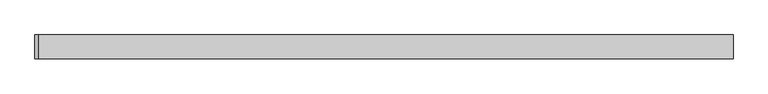
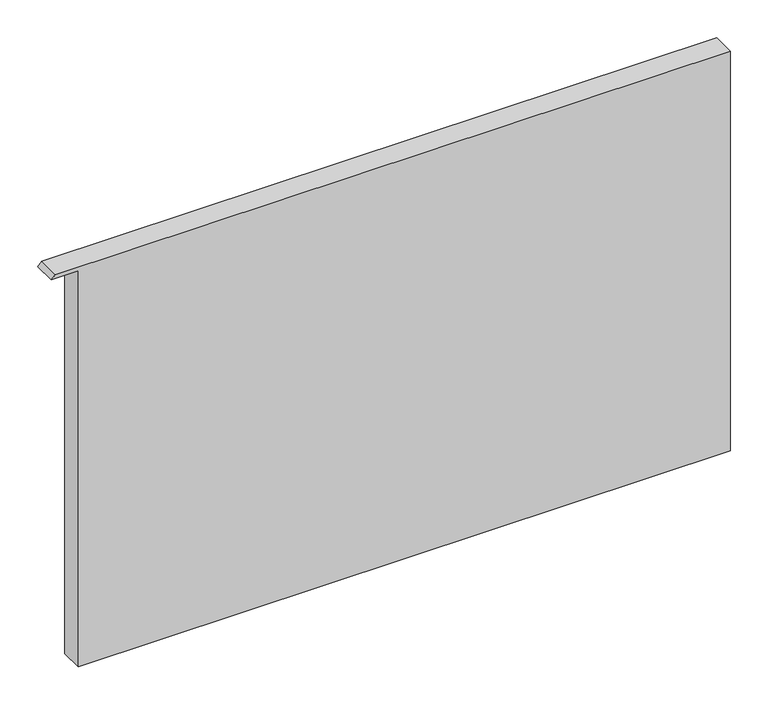
"""IFC4 building model written with IfcOpenShell, lengths in millimetres: plate geometry."""

from ifc_helpers import new_model, si_unit, point, frame, frame_2d, origin, place, context, project, spatial, polyline, circle_curve, trimmed, segment, composite_curve, outline, extrude, source, transform, mapped, element, save


def plate_44b318c6(model_context):
    return source(origin(), model_context, "Body", "SweptSolid", [
        extrude(outline(composite_curve([segment(polyline([(0.0, -475.71875), (0.0, 516.90625), (643.5659171, 516.90625), (643.5659171, -510.985191)]), True, "CONTINUOUS"), segment(trimmed(circle_curve(frame_2d((-766.620254, 1023.09375)), 2083.7522009), [point((643.5659171, -510.985191))], [point((637.0973937, -516.90625))], False, "CARTESIAN"), True, "CONTINUOUS"), segment(polyline([(637.0973937, -516.90625), (637.0973937, -475.71875), (0.0, -475.71875)]), True, "CONTINUOUS")], self_intersect=False)), frame((0.0, -17.5, 0.0), z_axis=(0.0, 1.0, 0.0), x_axis=(0.0, 0.0, 1.0)), (0.0, 0.0, 1.0), 35.0),
    ])


if __name__ == "__main__":
    model = new_model("IFC4")
    model_context = context("Model", 3, world=origin())
    ifc_project = project(units=[si_unit("LENGTHUNIT", "METRE", prefix="MILLI")], contexts=[model_context])
    site = spatial("IfcSite", under=ifc_project)
    building = spatial("IfcBuilding", under=site)
    placement = place(None, origin())
    plate_shape = plate_44b318c6(model_context)
    element("IfcPlate", 1, at=placement, inside=building, context=model_context, shape_type="MappedRepresentation", body=[
        mapped(plate_shape, transform((0.0, 0.0, 0.0), x_axis=(1.0, 0.0, 0.0), y_axis=(0.0, 1.0, 0.0), z_axis=(0.0, 0.0, 1.0))),
    ])
    save(model, "model.ifc")
